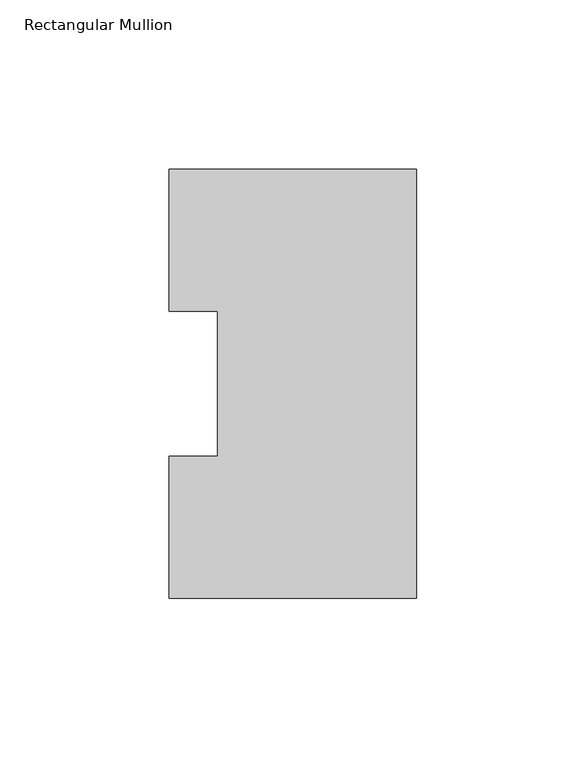
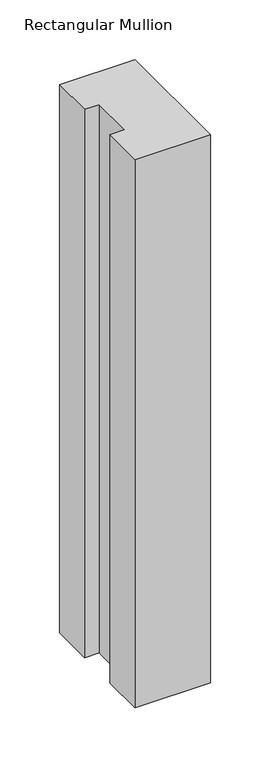
"""IFC4 building model written with IfcOpenShell, lengths in millimetres: member geometry, Rectangular Mullion."""

from ifc_helpers import new_model, si_unit, frame, origin, place, context, project, spatial, polyline, outline, extrude, source, transform, mapped, element, save


def rectangular_mullion_a898efa2(model_context):
    return source(origin(), model_context, "Body", "SweptSolid", [
        extrude(outline(polyline([(0.0, 126.4546937), (0.0, -0.0373063), (-73.025, -0.0373063), (-73.025, 41.7837937), (-58.7375, 41.7837937), (-58.7375, 84.6335938), (-73.025, 84.6335938), (-73.025, 126.4546937), (0.0, 126.4546937)])), frame((0.0, 0.0, -561.6836938), z_axis=(0.0, 0.0, 1.0), x_axis=(1.0, 0.0, 0.0)), (0.0, 0.0, 1.0), 561.6836938),
    ])


if __name__ == "__main__":
    model = new_model("IFC4")
    model_context = context("Model", 3, world=origin())
    ifc_project = project(units=[si_unit("LENGTHUNIT", "METRE", prefix="MILLI")], contexts=[model_context])
    site = spatial("IfcSite", under=ifc_project)
    building = spatial("IfcBuilding", under=site)
    placement = place(None, origin())
    rectangular_mullion_shape = rectangular_mullion_a898efa2(model_context)
    element("IfcMember", 1, ObjectType="Rectangular Mullion", at=placement, inside=building, context=model_context, shape_type="MappedRepresentation", body=[
        mapped(rectangular_mullion_shape, transform((0.0, 0.0, 0.0), x_axis=(1.0, 0.0, 0.0), y_axis=(0.0, 1.0, 0.0), z_axis=(0.0, 0.0, 1.0))),
    ])
    save(model, "model.ifc")
